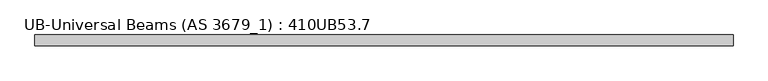
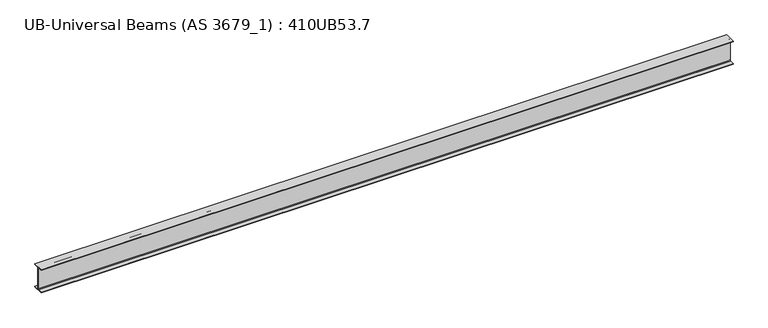
"""IFC4 building model written with IfcOpenShell, lengths in millimetres: beam geometry, UB-Universal Beams (AS 3679_1) : 410UB53.7."""

from ifc_helpers import new_model, si_unit, point, frame, frame_2d, origin, place, context, project, spatial, polyline, circle_curve, trimmed, segment, composite_curve, outline, extrude, source, transform, mapped, element, save


def ub_universal_beams_as_3679_1_410ub53_7_db63c489(model_context):
    return source(origin(), model_context, "Body", "SweptSolid", [
        extrude(outline(composite_curve([segment(polyline([(-89.0, -190.4), (-15.2, -190.4)]), True, "CONTINUOUS"), segment(trimmed(circle_curve(frame_2d((-15.2, -179.0)), 11.4), [point((-15.2, -190.4))], [point((-3.8, -179.0))], True, "CARTESIAN"), True, "CONTINUOUS"), segment(polyline([(-3.8, -179.0), (-3.8, 179.0)]), True, "CONTINUOUS"), segment(trimmed(circle_curve(frame_2d((-15.2, 179.0)), 11.4), [point((-3.8, 179.0))], [point((-15.2, 190.4))], True, "CARTESIAN"), True, "CONTINUOUS"), segment(polyline([(-15.2, 190.4), (-89.0, 190.4), (-89.0, 201.3), (89.0, 201.3), (89.0, 190.4), (15.2, 190.4)]), True, "CONTINUOUS"), segment(trimmed(circle_curve(frame_2d((15.2, 179.0)), 11.4), [point((15.2, 190.4))], [point((3.8, 179.0))], True, "CARTESIAN"), True, "CONTINUOUS"), segment(polyline([(3.8, 179.0), (3.8, -179.0)]), True, "CONTINUOUS"), segment(trimmed(circle_curve(frame_2d((15.2, -179.0)), 11.4), [point((3.8, -179.0))], [point((15.2, -190.4))], True, "CARTESIAN"), True, "CONTINUOUS"), segment(polyline([(15.2, -190.4), (89.0, -190.4), (89.0, -201.3), (-89.0, -201.3), (-89.0, -190.4)]), True, "CONTINUOUS")], self_intersect=False)), frame((-5691.4, 0.0, 0.0), z_axis=(1.0, 0.0, 0.0), x_axis=(0.0, 1.0, 0.0)), (0.0, 0.0, 1.0), 11382.8),
    ])


if __name__ == "__main__":
    model = new_model("IFC4")
    model_context = context("Model", 3, world=origin())
    ifc_project = project(units=[si_unit("LENGTHUNIT", "METRE", prefix="MILLI")], contexts=[model_context])
    site = spatial("IfcSite", under=ifc_project)
    building = spatial("IfcBuilding", under=site)
    placement = place(None, origin())
    ub_universal_beams_as_3679_1_410ub53_7_shape = ub_universal_beams_as_3679_1_410ub53_7_db63c489(model_context)
    element("IfcBeam", 1, ObjectType="UB-Universal Beams (AS 3679_1) : 410UB53.7", at=placement, inside=building, context=model_context, shape_type="MappedRepresentation", body=[
        mapped(ub_universal_beams_as_3679_1_410ub53_7_shape, transform((0.0, 0.0, 0.0), x_axis=(1.0, 0.0, 0.0), y_axis=(0.0, 1.0, 0.0), z_axis=(0.0, 0.0, 1.0))),
    ])
    save(model, "model.ifc")
